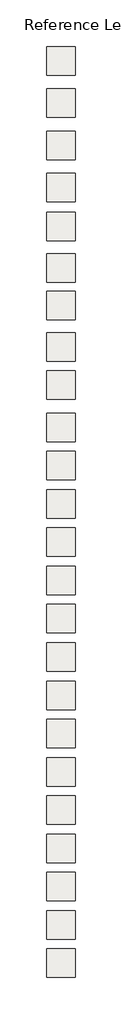
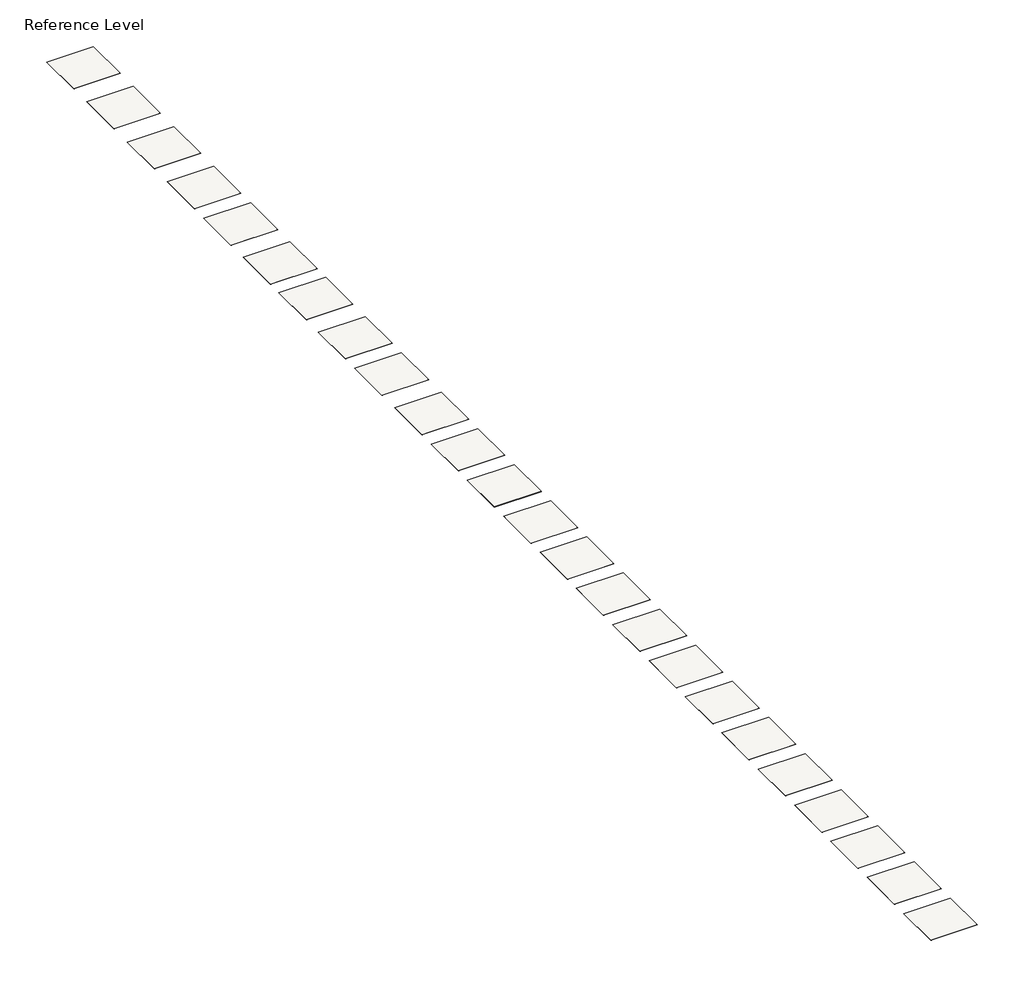
# One storey: 24 slabs.
"""IFC4 building model written with IfcOpenShell, lengths in millimetres."""

from ifc_helpers import new_model, si_unit, frame, origin, place, context, project, spatial, polyline, outline, extrude, element, save

model = new_model("IFC4")

# Units and contexts
model_context = context("Model", 3, world=origin())
ifc_project = project(units=[si_unit("LENGTHUNIT", "METRE", prefix="MILLI")], contexts=[model_context])

# Site, building, storey
site = spatial("IfcSite", under=ifc_project)
building = spatial("IfcBuilding", under=site)
storey = spatial("IfcBuildingStorey", under=building, Name="Reference Level", Elevation=0.0)

# Slabs
placement = place(None, origin())
element("IfcSlab", 1, at=placement, inside=storey, context=model_context, shape_type="SweptSolid", body=[
    extrude(outline(polyline([(4293.1191725, 5802.6847372), (4293.1191725, 802.6847372), (-706.8808275, 802.6847372), (-706.8808275, 5802.6847372), (4293.1191725, 5802.6847372)])), frame((0.0, 0.0, -2.25), z_axis=(0.0, 0.0, 1.0), x_axis=(1.0, 0.0, 0.0)), (0.0, 0.0, 1.0), 2.25),
])
element("IfcSlab", 2, at=placement, inside=storey, context=model_context, shape_type="SweptSolid", body=[
    extrude(outline(polyline([(4293.1191725, -1597.3152628), (4293.1191725, -6597.3152628), (-706.8808275, -6597.3152628), (-706.8808275, -1597.3152628), (4293.1191725, -1597.3152628)])), frame((0.0, 0.0, -2.25), z_axis=(0.0, 0.0, 1.0), x_axis=(1.0, 0.0, 0.0)), (0.0, 0.0, 1.0), 2.25),
])
element("IfcSlab", 3, at=placement, inside=storey, context=model_context, shape_type="SweptSolid", body=[
    extrude(outline(polyline([(4293.1191725, -9097.3152628), (4293.1191725, -14097.3152628), (-706.8808275, -14097.3152628), (-706.8808275, -9097.3152628), (4293.1191725, -9097.3152628)])), frame((0.0, 0.0, -2.25), z_axis=(0.0, 0.0, 1.0), x_axis=(1.0, 0.0, 0.0)), (0.0, 0.0, 1.0), 2.25),
])
element("IfcSlab", 4, at=placement, inside=storey, context=model_context, shape_type="SweptSolid", body=[
    extrude(outline(polyline([(4293.1191725, -16497.3152628), (4293.1191725, -21497.3152628), (-706.8808275, -21497.3152628), (-706.8808275, -16497.3152628), (4293.1191725, -16497.3152628)])), frame((0.0, 0.0, -2.25), z_axis=(0.0, 0.0, 1.0), x_axis=(1.0, 0.0, 0.0)), (0.0, 0.0, 1.0), 2.25),
])
element("IfcSlab", 5, at=placement, inside=storey, context=model_context, shape_type="SweptSolid", body=[
    extrude(outline(polyline([(4293.1191725, -23297.3152628), (4293.1191725, -28297.3152628), (-706.8808275, -28297.3152628), (-706.8808275, -23297.3152628), (4293.1191725, -23297.3152628)])), frame((0.0, 0.0, -2.25), z_axis=(0.0, 0.0, 1.0), x_axis=(1.0, 0.0, 0.0)), (0.0, 0.0, 1.0), 2.25),
])
element("IfcSlab", 6, at=placement, inside=storey, context=model_context, shape_type="SweptSolid", body=[
    extrude(outline(polyline([(4293.1191725, -30572.6471434), (4293.1191725, -35572.6471434), (-706.8808275, -35572.6471434), (-706.8808275, -30572.6471434), (4293.1191725, -30572.6471434)])), frame((0.0, 0.0, -2.25), z_axis=(0.0, 0.0, 1.0), x_axis=(1.0, 0.0, 0.0)), (0.0, 0.0, 1.0), 2.25),
])
element("IfcSlab", 7, at=placement, inside=storey, context=model_context, shape_type="SweptSolid", body=[
    extrude(outline(polyline([(4293.1191725, -37197.3152628), (4293.1191725, -42197.3152628), (-706.8808275, -42197.3152628), (-706.8808275, -37197.3152628), (4293.1191725, -37197.3152628)])), frame((0.0, 0.0, -2.25), z_axis=(0.0, 0.0, 1.0), x_axis=(1.0, 0.0, 0.0)), (0.0, 0.0, 1.0), 2.25),
])
element("IfcSlab", 8, at=placement, inside=storey, context=model_context, shape_type="SweptSolid", body=[
    extrude(outline(polyline([(4293.1191725, -44472.6471434), (4293.1191725, -49472.6471434), (-706.8808275, -49472.6471434), (-706.8808275, -44472.6471434), (4293.1191725, -44472.6471434)])), frame((0.0, 0.0, -2.25), z_axis=(0.0, 0.0, 1.0), x_axis=(1.0, 0.0, 0.0)), (0.0, 0.0, 1.0), 2.25),
])
element("IfcSlab", 9, at=placement, inside=storey, context=model_context, shape_type="SweptSolid", body=[
    extrude(outline(polyline([(4293.1191725, -51197.3152628), (4293.1191725, -56197.3152628), (-706.8808275, -56197.3152628), (-706.8808275, -51197.3152628), (4293.1191725, -51197.3152628)])), frame((0.0, 0.0, -2.25), z_axis=(0.0, 0.0, 1.0), x_axis=(1.0, 0.0, 0.0)), (0.0, 0.0, 1.0), 2.25),
])
element("IfcSlab", 10, at=placement, inside=storey, context=model_context, shape_type="SweptSolid", body=[
    extrude(outline(polyline([(4293.1191725, -58597.3152628), (4293.1191725, -63597.3152628), (-706.8808275, -63597.3152628), (-706.8808275, -58597.3152628), (4293.1191725, -58597.3152628)])), frame((0.0, 0.0, -2.25), z_axis=(0.0, 0.0, 1.0), x_axis=(1.0, 0.0, 0.0)), (0.0, 0.0, 1.0), 2.25),
])
element("IfcSlab", 11, at=placement, inside=storey, context=model_context, shape_type="SweptSolid", body=[
    extrude(outline(polyline([(4293.1191725, -65321.9833822), (4293.1191725, -70321.9833822), (-706.8808275, -70321.9833822), (-706.8808275, -65321.9833822), (4293.1191725, -65321.9833822)])), frame((0.0, 0.0, -2.25), z_axis=(0.0, 0.0, 1.0), x_axis=(1.0, 0.0, 0.0)), (0.0, 0.0, 1.0), 2.25),
])
element("IfcSlab", 12, at=placement, inside=storey, context=model_context, shape_type="SweptSolid", body=[
    extrude(outline(polyline([(4293.1191725, -72046.6515016), (4293.1191725, -77046.6515016), (-706.8808275, -77046.6515016), (-706.8808275, -72046.6515016), (4293.1191725, -72046.6515016)])), frame((0.0, 0.0, -2.25), z_axis=(0.0, 0.0, 1.0), x_axis=(1.0, 0.0, 0.0)), (0.0, 0.0, 1.0), 2.25),
])
element("IfcSlab", 13, at=placement, inside=storey, context=model_context, shape_type="SweptSolid", body=[
    extrude(outline(polyline([(4293.1191725, -78771.3196211), (4293.1191725, -83771.3196211), (-706.8808275, -83771.3196211), (-706.8808275, -78771.3196211), (4293.1191725, -78771.3196211)])), frame((0.0, 0.0, -2.25), z_axis=(0.0, 0.0, 1.0), x_axis=(1.0, 0.0, 0.0)), (0.0, 0.0, 1.0), 2.25),
])
element("IfcSlab", 14, at=placement, inside=storey, context=model_context, shape_type="SweptSolid", body=[
    extrude(outline(polyline([(4293.1191725, -85495.9877405), (4293.1191725, -90495.9877405), (-706.8808275, -90495.9877405), (-706.8808275, -85495.9877405), (4293.1191725, -85495.9877405)])), frame((0.0, 0.0, -2.25), z_axis=(0.0, 0.0, 1.0), x_axis=(1.0, 0.0, 0.0)), (0.0, 0.0, 1.0), 2.25),
])
element("IfcSlab", 15, at=placement, inside=storey, context=model_context, shape_type="SweptSolid", body=[
    extrude(outline(polyline([(4293.1191725, -92220.6558599), (4293.1191725, -97220.6558599), (-706.8808275, -97220.6558599), (-706.8808275, -92220.6558599), (4293.1191725, -92220.6558599)])), frame((0.0, 0.0, -2.25), z_axis=(0.0, 0.0, 1.0), x_axis=(1.0, 0.0, 0.0)), (0.0, 0.0, 1.0), 2.25),
])
element("IfcSlab", 16, at=placement, inside=storey, context=model_context, shape_type="SweptSolid", body=[
    extrude(outline(polyline([(4293.1191725, -98945.3239793), (4293.1191725, -103945.3239793), (-706.8808275, -103945.3239793), (-706.8808275, -98945.3239793), (4293.1191725, -98945.3239793)])), frame((0.0, 0.0, -2.25), z_axis=(0.0, 0.0, 1.0), x_axis=(1.0, 0.0, 0.0)), (0.0, 0.0, 1.0), 2.25),
])
element("IfcSlab", 17, at=placement, inside=storey, context=model_context, shape_type="SweptSolid", body=[
    extrude(outline(polyline([(4293.1191725, -105669.9920987), (4293.1191725, -110669.9920987), (-706.8808275, -110669.9920987), (-706.8808275, -105669.9920987), (4293.1191725, -105669.9920987)])), frame((0.0, 0.0, -2.25), z_axis=(0.0, 0.0, 1.0), x_axis=(1.0, 0.0, 0.0)), (0.0, 0.0, 1.0), 2.25),
])
element("IfcSlab", 18, at=placement, inside=storey, context=model_context, shape_type="SweptSolid", body=[
    extrude(outline(polyline([(4293.1191725, -112394.6602182), (4293.1191725, -117394.6602182), (-706.8808275, -117394.6602182), (-706.8808275, -112394.6602182), (4293.1191725, -112394.6602182)])), frame((0.0, 0.0, -2.25), z_axis=(0.0, 0.0, 1.0), x_axis=(1.0, 0.0, 0.0)), (0.0, 0.0, 1.0), 2.25),
])
element("IfcSlab", 19, at=placement, inside=storey, context=model_context, shape_type="SweptSolid", body=[
    extrude(outline(polyline([(4293.1191725, -119119.3283376), (4293.1191725, -124119.3283376), (-706.8808275, -124119.3283376), (-706.8808275, -119119.3283376), (4293.1191725, -119119.3283376)])), frame((0.0, 0.0, -2.25), z_axis=(0.0, 0.0, 1.0), x_axis=(1.0, 0.0, 0.0)), (0.0, 0.0, 1.0), 2.25),
])
element("IfcSlab", 20, at=placement, inside=storey, context=model_context, shape_type="SweptSolid", body=[
    extrude(outline(polyline([(4293.1191725, -125843.996457), (4293.1191725, -130843.996457), (-706.8808275, -130843.996457), (-706.8808275, -125843.996457), (4293.1191725, -125843.996457)])), frame((0.0, 0.0, -2.25), z_axis=(0.0, 0.0, 1.0), x_axis=(1.0, 0.0, 0.0)), (0.0, 0.0, 1.0), 2.25),
])
element("IfcSlab", 21, at=placement, inside=storey, context=model_context, shape_type="SweptSolid", body=[
    extrude(outline(polyline([(4293.1191725, -132568.6645764), (4293.1191725, -137568.6645764), (-706.8808275, -137568.6645764), (-706.8808275, -132568.6645764), (4293.1191725, -132568.6645764)])), frame((0.0, 0.0, -2.25), z_axis=(0.0, 0.0, 1.0), x_axis=(1.0, 0.0, 0.0)), (0.0, 0.0, 1.0), 2.25),
])
element("IfcSlab", 22, at=placement, inside=storey, context=model_context, shape_type="SweptSolid", body=[
    extrude(outline(polyline([(4293.1191725, -139293.3326959), (4293.1191725, -144293.3326959), (-706.8808275, -144293.3326959), (-706.8808275, -139293.3326959), (4293.1191725, -139293.3326959)])), frame((0.0, 0.0, -2.25), z_axis=(0.0, 0.0, 1.0), x_axis=(1.0, 0.0, 0.0)), (0.0, 0.0, 1.0), 2.25),
])
element("IfcSlab", 23, at=placement, inside=storey, context=model_context, shape_type="SweptSolid", body=[
    extrude(outline(polyline([(4293.1191725, -146018.0008153), (4293.1191725, -151018.0008153), (-706.8808275, -151018.0008153), (-706.8808275, -146018.0008153), (4293.1191725, -146018.0008153)])), frame((0.0, 0.0, -2.25), z_axis=(0.0, 0.0, 1.0), x_axis=(1.0, 0.0, 0.0)), (0.0, 0.0, 1.0), 2.25),
])
element("IfcSlab", 24, at=placement, inside=storey, context=model_context, shape_type="SweptSolid", body=[
    extrude(outline(polyline([(4293.1191725, -152742.6689347), (4293.1191725, -157742.6689347), (-706.8808275, -157742.6689347), (-706.8808275, -152742.6689347), (4293.1191725, -152742.6689347)])), frame((0.0, 0.0, -2.25), z_axis=(0.0, 0.0, 1.0), x_axis=(1.0, 0.0, 0.0)), (0.0, 0.0, 1.0), 2.25),
])

save(model, "model.ifc")
